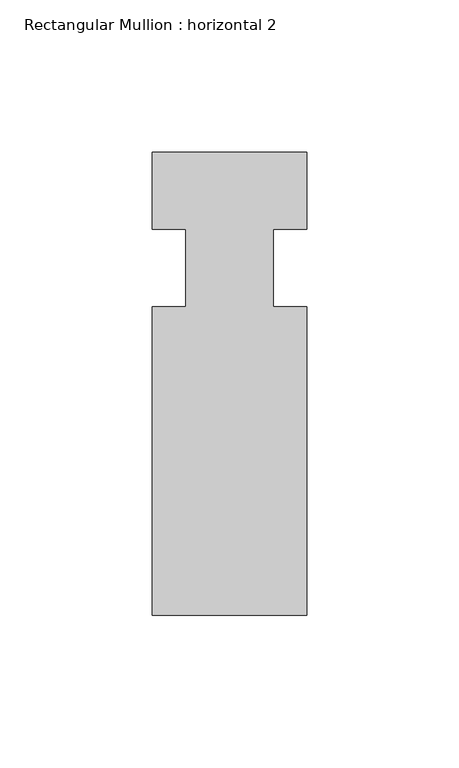
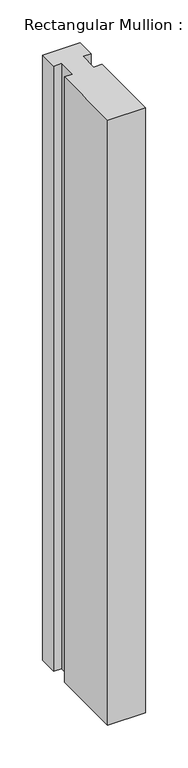
"""IFC4 building model written with IfcOpenShell, lengths in millimetres: member geometry, Rectangular Mullion : horizontal 2."""

from ifc_helpers import new_model, si_unit, frame, origin, place, context, project, spatial, polyline, outline, extrude, source, transform, mapped, element, save


def rectangular_mullion_horizontal_2_ac13df7c(model_context):
    return source(origin(), model_context, "Body", "SweptSolid", [
        extrude(outline(polyline([(-25.4, 6.35), (25.4, 6.35), (25.4, -19.05), (14.398625, -19.05), (14.398625, -44.45), (25.4, -44.45), (25.4, -146.05), (-25.4, -146.05), (-25.4, -44.45), (-14.398625, -44.45), (-14.398625, -19.05), (-25.4, -19.05), (-25.4, 6.35)])), frame((0.0, 0.0, -863.5998097), z_axis=(0.0, 0.0, 1.0), x_axis=(1.0, 0.0, 0.0)), (0.0, 0.0, 1.0), 863.5998097),
    ])


if __name__ == "__main__":
    model = new_model("IFC4")
    model_context = context("Model", 3, world=origin())
    ifc_project = project(units=[si_unit("LENGTHUNIT", "METRE", prefix="MILLI")], contexts=[model_context])
    site = spatial("IfcSite", under=ifc_project)
    building = spatial("IfcBuilding", under=site)
    placement = place(None, origin())
    rectangular_mullion_horizontal_2_shape = rectangular_mullion_horizontal_2_ac13df7c(model_context)
    element("IfcMember", 1, ObjectType="Rectangular Mullion : horizontal 2", at=placement, inside=building, context=model_context, shape_type="MappedRepresentation", body=[
        mapped(rectangular_mullion_horizontal_2_shape, transform((0.0, 0.0, 0.0), x_axis=(1.0, 0.0, 0.0), y_axis=(0.0, 1.0, 0.0), z_axis=(0.0, 0.0, 1.0))),
    ])
    save(model, "model.ifc")
